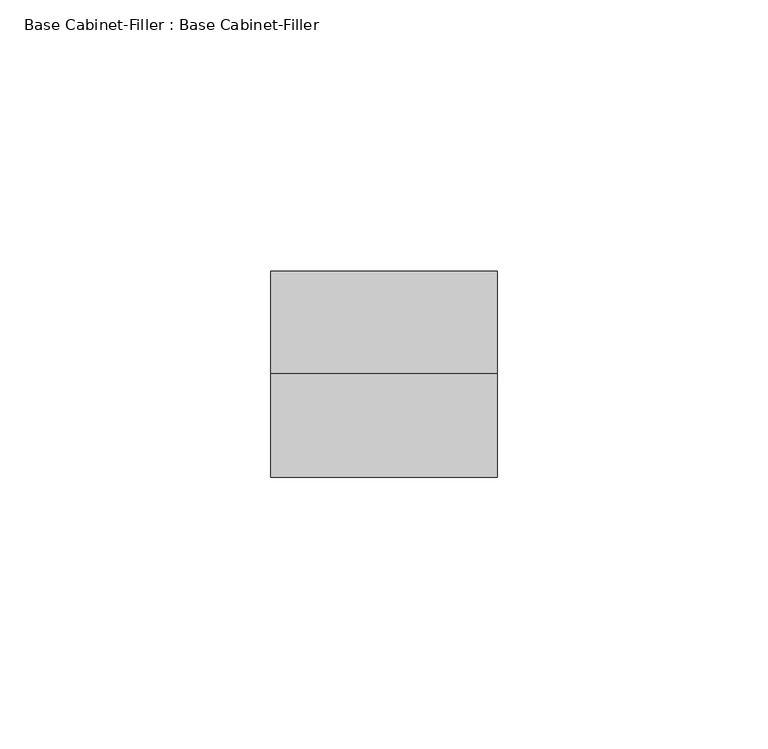
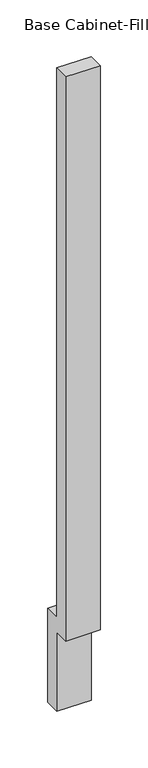
"""IFC4 building model written with IfcOpenShell, lengths in millimetres: furniture geometry, Base Cabinet-Filler : Base Cabinet-Filler."""

from ifc_helpers import new_model, si_unit, frame, origin, place, context, project, spatial, polyline, outline, extrude, source, transform, mapped, element, save


def base_cabinet_filler_base_cabinet_filler_682c8b08(model_context):
    return source(origin(), model_context, "Body", "SweptSolid", [
        extrude(outline(polyline([(-590.55, 101.6), (-590.55, 825.5), (-571.5, 825.5), (-571.5, 120.65), (-552.45, 120.65), (-552.45, 0.0), (-571.5, 0.0), (-571.5, 101.6), (-590.55, 101.6)])), frame((-2.1792255, 0.0, 0.0), z_axis=(1.0, 0.0, 0.0), x_axis=(0.0, 1.0, 0.0)), (0.0, 0.0, 1.0), 41.8338608),
    ])


if __name__ == "__main__":
    model = new_model("IFC4")
    model_context = context("Model", 3, world=origin())
    ifc_project = project(units=[si_unit("LENGTHUNIT", "METRE", prefix="MILLI")], contexts=[model_context])
    site = spatial("IfcSite", under=ifc_project)
    building = spatial("IfcBuilding", under=site)
    placement = place(None, origin())
    base_cabinet_filler_base_cabinet_filler_shape = base_cabinet_filler_base_cabinet_filler_682c8b08(model_context)
    element("IfcFurniture", 1, ObjectType="Base Cabinet-Filler : Base Cabinet-Filler", at=placement, inside=building, context=model_context, shape_type="MappedRepresentation", body=[
        mapped(base_cabinet_filler_base_cabinet_filler_shape, transform((0.0, 0.0, 0.0), x_axis=(1.0, 0.0, 0.0), y_axis=(0.0, 1.0, 0.0), z_axis=(0.0, 0.0, 1.0))),
    ])
    save(model, "model.ifc")
